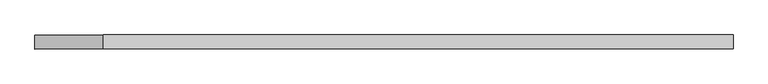
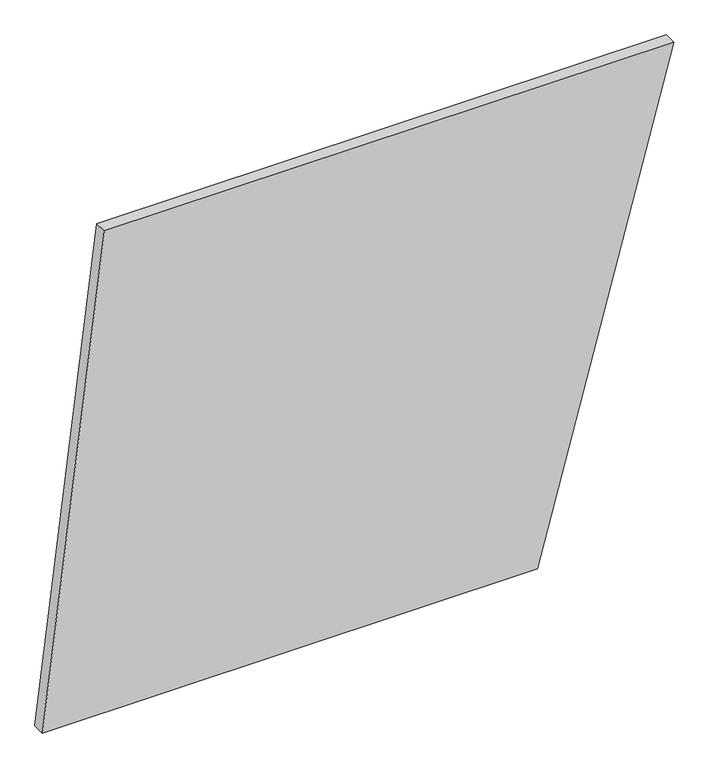
"""IFC4 building model written with IfcOpenShell, lengths in millimetres: plate geometry."""

from ifc_helpers import new_model, si_unit, frame, origin, place, context, project, spatial, polyline, outline, extrude, source, transform, mapped, element, save


def plate_7c380ced(model_context):
    return source(origin(), model_context, "Body", "SweptSolid", [
        extrude(outline(polyline([(0.0, -620.610764), (0.0, 352.6615715), (1000.0, 620.610764), (1000.0, -498.8988308), (0.0, -620.610764)])), frame((0.0, 24.5, 0.0), z_axis=(0.0, 1.0, 0.0), x_axis=(0.0, 0.0, 1.0)), (0.0, 0.0, 1.0), 25.0),
    ])


if __name__ == "__main__":
    model = new_model("IFC4")
    model_context = context("Model", 3, world=origin())
    ifc_project = project(units=[si_unit("LENGTHUNIT", "METRE", prefix="MILLI")], contexts=[model_context])
    site = spatial("IfcSite", under=ifc_project)
    building = spatial("IfcBuilding", under=site)
    placement = place(None, origin())
    plate_shape = plate_7c380ced(model_context)
    element("IfcPlate", 1, at=placement, inside=building, context=model_context, shape_type="MappedRepresentation", body=[
        mapped(plate_shape, transform((0.0, 0.0, 0.0), x_axis=(1.0, 0.0, 0.0), y_axis=(0.0, 1.0, 0.0), z_axis=(0.0, 0.0, 1.0))),
    ])
    save(model, "model.ifc")
